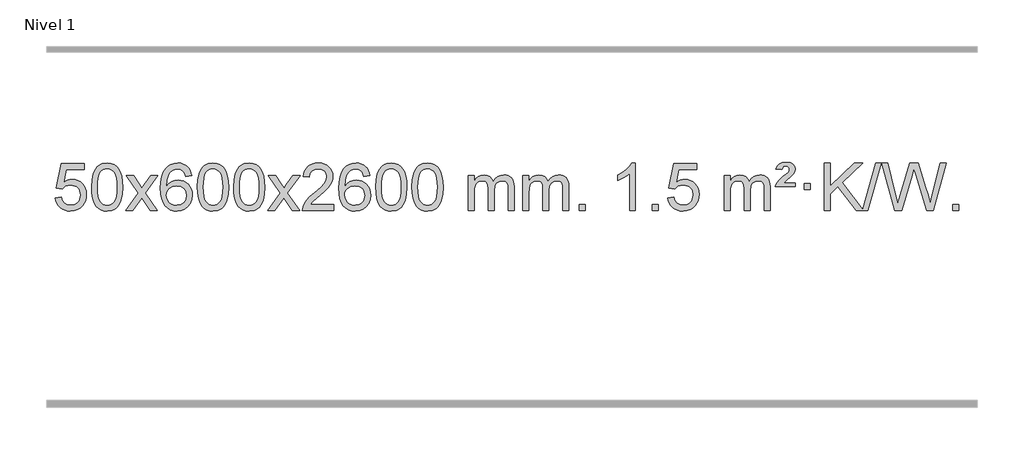
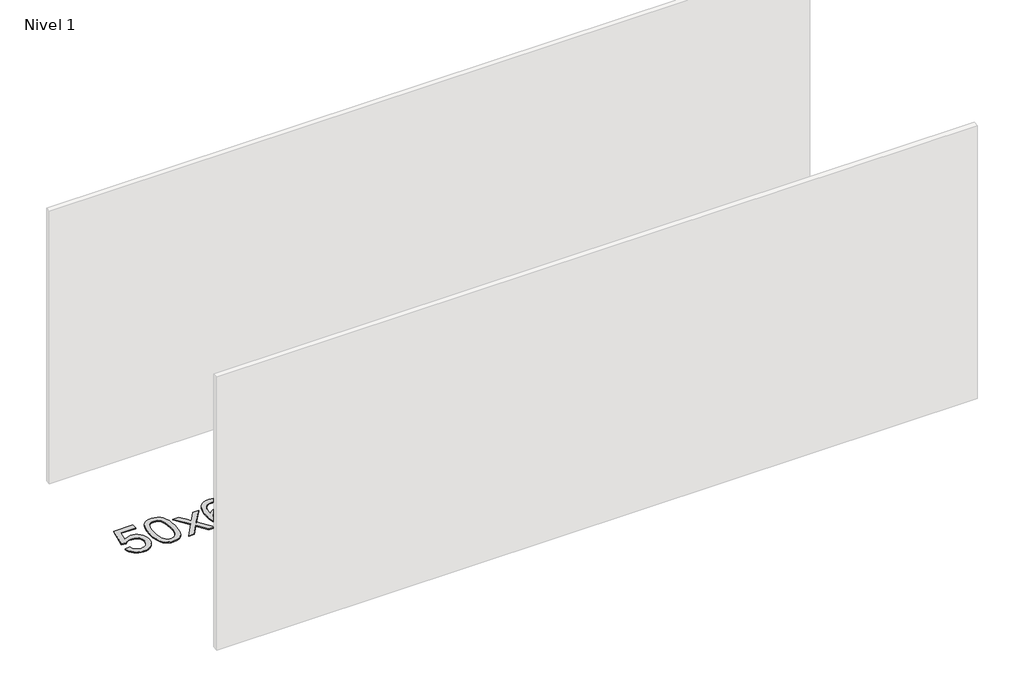
# One storey, part 10 of 12: 1 proxy.
"""IFC4 building model written with IfcOpenShell, lengths in millimetres."""

from ifc_helpers import new_model, si_unit, origin, origin_with_axes, place, context, project, spatial, polyline, outline, extrude, element, save

model = new_model("IFC4")

# Units and contexts
model_context = context("Model", 3, world=origin())
ifc_project = project(units=[si_unit("LENGTHUNIT", "METRE", prefix="MILLI")], contexts=[model_context])

# Site, building, storey
site = spatial("IfcSite", under=ifc_project)
building = spatial("IfcBuilding", under=site)
storey = spatial("IfcBuildingStorey", under=building, Name="Nivel 1", Elevation=0.0)

# Proxy
placement = place(None, origin())
element("IfcBuildingElementProxy", 1, Name="Texto de modelo 1", ObjectType="Texto de modelo 1", at=placement, inside=storey, context=model_context, shape_type="SweptSolid", body=[
    extrude(outline(polyline([(5243.8302895, -284.8446235), (5294.0584446, -278.5661041), (5303.28002, -308.7201649), (5319.3687259, -330.3148381), (5342.250986, -343.3010725), (5371.8532239, -347.6298173), (5390.9830876, -346.1245668), (5407.8566085, -341.6088153), (5422.4737864, -334.0825628), (5434.8346214, -323.5458094), (5444.6632021, -310.519721), (5451.6836168, -295.5254641), (5457.2999486, -259.6324441), (5452.0392361, -225.8363514), (5445.4633454, -211.9181493), (5436.2570985, -199.9865099), (5424.3898385, -190.4154467), (5409.8309085, -183.5789729), (5372.6380388, -178.1097939), (5348.271988, -180.2925604), (5328.5412503, -186.8408599), (5312.7836382, -196.8717757), (5300.336964, -209.5023908), (5250.1088089, -203.2238715), (5294.0584446, 3.9672682), (5488.6925455, 3.9672682), (5488.6925455, -46.2608869), (5334.6726169, -46.2608869), (5313.1883084, -156.919791), (5330.9140892, -144.2155994), (5349.0690656, -135.1411769), (5367.6532377, -129.6965234), (5386.6666055, -127.8816388), (5411.1276925, -130.1318504), (5433.5960854, -136.882485), (5454.0717841, -148.1335427), (5472.5547887, -163.8850234), (5487.855614, -183.1743027), (5498.7847749, -205.038756), (5505.3422715, -229.4783832), (5507.5281037, -256.4931844), (5505.559935, -282.5147042), (5499.655429, -306.7213394), (5489.8145856, -329.1130902), (5476.0374049, -349.6899565), (5455.166233, -370.7634634), (5430.812445, -385.8159684), (5402.9760407, -394.8474714), (5371.6570201, -397.8579724), (5345.7366679, -395.9235262), (5322.3240446, -390.1201877), (5301.4191502, -380.447957), (5283.0219848, -366.9068338), (5267.7150281, -350.1712688), (5256.08076, -330.915712), (5248.1191805, -309.1401636), (5243.8302895, -284.8446235)])), origin_with_axes(), (0.0, 0.0, 1.0), 10.0),
    extrude(outline(polyline([(5551.4777394, -193.9041943), (5555.1688221, -129.5861588), (5566.2420701, -78.2911459), (5584.5871189, -39.2343407), (5596.4451819, -24.0009605), (5610.0936039, -11.6309284), (5625.5783702, -2.0598651), (5642.9454661, 4.7766086), (5683.3266464, 10.2457876), (5714.277785, 7.008426), (5741.9915619, -2.7036586), (5765.1681276, -18.5103217), (5782.5076323, -40.0314184), (5795.6042314, -67.0830078), (5806.05208, -99.4811488), (5812.8946851, -140.6226186), (5815.1755535, -193.9041943), (5811.521259, -257.8543477), (5800.5583756, -309.0267333), (5782.3236913, -348.1203266), (5770.4932195, -363.3996922), (5756.8539945, -375.8341036), (5741.3508341, -385.4695462), (5723.928556, -392.3520052), (5683.3266464, -397.8579724), (5655.6619204, -395.4667394), (5631.1364541, -388.2930405), (5609.7502474, -376.3368757), (5591.5033004, -359.5982449), (5573.9921175, -329.3399508), (5561.4841296, -291.6381776), (5553.9793369, -246.4929255), (5551.4777394, -193.9041943)]), holes=[polyline([(5601.7058944, -193.8060924), (5603.1774224, -237.4706195), (5607.5920064, -272.8148822), (5614.9496463, -299.8388804), (5625.2503421, -318.5426142), (5637.709279, -331.2682656), (5651.5416421, -340.3580165), (5666.7474312, -345.8118671), (5683.3266464, -347.6298173), (5699.9058617, -345.8057357), (5715.1116508, -340.3334911), (5728.9440138, -331.2130833), (5741.4029507, -318.4445124), (5751.7036466, -299.7101217), (5759.0612865, -272.6922549), (5763.4758705, -237.3909118), (5764.9473984, -193.8060924), (5763.5249214, -151.2973278), (5759.2574902, -116.5753989), (5752.145105, -89.6403055), (5742.1877657, -70.4920476), (5729.9372952, -57.1440625), (5715.9455167, -47.6097875), (5700.21243, -41.8892225), (5682.7380352, -39.9823675), (5666.2446591, -41.6623619), (5651.2963874, -46.7023452), (5637.89322, -55.1023175), (5626.0351571, -66.8622786), (5615.3911047, -87.708925), (5607.7882101, -115.8151094), (5603.2264734, -151.1808319), (5601.7058944, -193.8060924)])]), origin_with_axes(), (0.0, 0.0, 1.0), 10.0),
    extrude(outline(polyline([(5840.2896311, -391.579453), (5947.6130718, -243.2494325), (5846.5681504, -96.4890419), (5906.9988995, -96.4890419), (5955.7555266, -167.122385), (5978.5151594, -200.4770192), (5998.2336343, -173.2047007), (6053.7592901, -96.4890419), (6114.1900392, -96.4890419), (6008.0438209, -243.2494325), (6110.2659646, -391.579453), (6049.8352155, -391.579453), (5988.3253459, -302.4048574), (5977.0436314, -286.1199477), (5900.7203801, -391.579453), (5840.2896311, -391.579453)])), origin_with_axes(), (0.0, 0.0, 1.0), 10.0),
    extrude(outline(polyline([(6399.0778563, -96.4890419), (6348.8497012, -102.7675613), (6340.7562973, -77.874213), (6329.8179393, -60.8780648), (6307.0337811, -45.2062918), (6279.4916824, -39.9823675), (6256.1434384, -43.0235253), (6234.1686206, -52.1469988), (6215.2962742, -71.3627017), (6199.8820186, -97.8134171), (6189.4709581, -135.227016), (6185.6081972, -187.3313693), (6205.7558678, -163.8237098), (6229.9011894, -147.2567573), (6256.6952614, -137.434308), (6284.7891831, -134.1601582), (6308.922242, -136.398107), (6331.1913654, -143.1119534), (6351.5965534, -154.3016975), (6370.137806, -169.9673391), (6385.5459302, -189.1769106), (6396.5517332, -210.9984443), (6403.155215, -235.4319401), (6405.3563756, -262.4773982), (6401.2115718, -298.4439945), (6388.7771604, -331.786366), (6369.0832109, -360.0642287), (6343.159793, -380.8372987), (6312.184129, -393.602804), (6277.3334413, -397.8579724), (6247.3909126, -395.0375437), (6220.3485203, -386.5762579), (6196.2062643, -372.4741147), (6174.9641448, -352.7311143), (6157.6460999, -326.5133908), (6145.2760678, -292.9870783), (6137.8540485, -252.1521768), (6135.3800421, -204.0086864), (6138.1268943, -150.0342663), (6146.367451, -103.9693092), (6160.1017122, -65.8138149), (6179.3296778, -35.5677835), (6200.1701928, -15.5243462), (6224.3339085, -1.2076052), (6251.820825, 7.3824394), (6282.6309421, 10.2457876), (6305.7645882, 8.4738227), (6326.7032051, 3.1579278), (6345.4467927, -5.7018969), (6361.9953511, -18.1056515), (6375.9012906, -33.6364031), (6386.7170212, -51.8772186), (6394.4425431, -72.8280983), (6399.0778563, -96.4890419)]), holes=[polyline([(6185.6081972, -261.6925832), (6188.514465, -283.9494439), (6197.2332682, -305.2007605), (6210.7713257, -323.472233), (6228.1353558, -336.7895612), (6249.0923668, -344.9197533), (6273.4093667, -347.6298173), (6306.5555345, -342.0134855), (6320.4706709, -334.9930708), (6332.6138425, -325.1644901), (6342.4638829, -312.9262824), (6349.499626, -298.6769865), (6355.1282206, -264.1451299), (6349.5732024, -230.9989621), (6342.6294298, -217.3781312), (6332.9081481, -205.725469), (6320.7281883, -196.3904634), (6306.4083817, -189.7226022), (6271.3492275, -184.3883133), (6238.2521107, -189.7226022), (6210.5751219, -205.725469), (6199.6520924, -217.2248471), (6191.8499284, -230.3858254), (6187.16863, -245.2084042), (6185.6081972, -261.6925832)])]), origin_with_axes(), (0.0, 0.0, 1.0), 10.0),
    extrude(outline(polyline([(6449.3060113, -193.9041943), (6452.997094, -129.5861588), (6464.0703421, -78.2911459), (6482.4153909, -39.2343407), (6494.2734539, -24.0009605), (6507.9218759, -11.6309284), (6523.4066422, -2.0598651), (6540.7737381, 4.7766086), (6581.1549184, 10.2457876), (6612.1060569, 7.008426), (6639.8198339, -2.7036586), (6662.9963996, -18.5103217), (6680.3359043, -40.0314184), (6693.4325033, -67.0830078), (6703.880352, -99.4811488), (6710.7229571, -140.6226186), (6713.0038255, -193.9041943), (6709.349531, -257.8543477), (6698.3866475, -309.0267333), (6680.1519633, -348.1203266), (6668.3214915, -363.3996922), (6654.6822665, -375.8341036), (6639.1791061, -385.4695462), (6621.7568279, -392.3520052), (6581.1549184, -397.8579724), (6553.4901924, -395.4667394), (6528.964726, -388.2930405), (6507.5785194, -376.3368757), (6489.3315724, -359.5982449), (6471.8203894, -329.3399508), (6459.3124016, -291.6381776), (6451.8076089, -246.4929255), (6449.3060113, -193.9041943)]), holes=[polyline([(6499.5341664, -193.8060924), (6501.0056944, -237.4706195), (6505.4202783, -272.8148822), (6512.7779182, -299.8388804), (6523.0786141, -318.5426142), (6535.537551, -331.2682656), (6549.369914, -340.3580165), (6564.5757032, -345.8118671), (6581.1549184, -347.6298173), (6597.7341337, -345.8057357), (6612.9399228, -340.3334911), (6626.7722858, -331.2130833), (6639.2312227, -318.4445124), (6649.5319186, -299.7101217), (6656.8895585, -272.6922549), (6661.3041424, -237.3909118), (6662.7756704, -193.8060924), (6661.3531934, -151.2973278), (6657.0857622, -116.5753989), (6649.973377, -89.6403055), (6640.0160376, -70.4920476), (6627.7655672, -57.1440625), (6613.7737886, -47.6097875), (6598.040702, -41.8892225), (6580.5663072, -39.9823675), (6564.0729311, -41.6623619), (6549.1246594, -46.7023452), (6535.721492, -55.1023175), (6523.863429, -66.8622786), (6513.2193766, -87.708925), (6505.6164821, -115.8151094), (6501.0547453, -151.1808319), (6499.5341664, -193.8060924)])]), origin_with_axes(), (0.0, 0.0, 1.0), 10.0),
    extrude(outline(polyline([(6756.9534612, -193.9041943), (6760.6445439, -129.5861588), (6771.7177919, -78.2911459), (6790.0628407, -39.2343407), (6801.9209037, -24.0009605), (6815.5693257, -11.6309284), (6831.054092, -2.0598651), (6848.4211879, 4.7766086), (6888.8023682, 10.2457876), (6919.7535068, 7.008426), (6947.4672837, -2.7036586), (6970.6438494, -18.5103217), (6987.9833541, -40.0314184), (7001.0799532, -67.0830078), (7011.5278018, -99.4811488), (7018.3704069, -140.6226186), (7020.6512753, -193.9041943), (7016.9969808, -257.8543477), (7006.0340974, -309.0267333), (6987.7994131, -348.1203266), (6975.9689413, -363.3996922), (6962.3297163, -375.8341036), (6946.8265559, -385.4695462), (6929.4042778, -392.3520052), (6888.8023682, -397.8579724), (6861.1376422, -395.4667394), (6836.6121759, -388.2930405), (6815.2259692, -376.3368757), (6796.9790222, -359.5982449), (6779.4678393, -329.3399508), (6766.9598514, -291.6381776), (6759.4550587, -246.4929255), (6756.9534612, -193.9041943)]), holes=[polyline([(6807.1816162, -193.8060924), (6808.6531442, -237.4706195), (6813.0677282, -272.8148822), (6820.4253681, -299.8388804), (6830.7260639, -318.5426142), (6843.1850008, -331.2682656), (6857.0173639, -340.3580165), (6872.223153, -345.8118671), (6888.8023682, -347.6298173), (6905.3815835, -345.8057357), (6920.5873726, -340.3334911), (6934.4197356, -331.2130833), (6946.8786725, -318.4445124), (6957.1793684, -299.7101217), (6964.5370083, -272.6922549), (6968.9515923, -237.3909118), (6970.4231202, -193.8060924), (6969.0006432, -151.2973278), (6964.733212, -116.5753989), (6957.6208268, -89.6403055), (6947.6634875, -70.4920476), (6935.413017, -57.1440625), (6921.4212385, -47.6097875), (6905.6881518, -41.8892225), (6888.213757, -39.9823675), (6871.7203809, -41.6623619), (6856.7721092, -46.7023452), (6843.3689418, -55.1023175), (6831.5108789, -66.8622786), (6820.8668265, -87.708925), (6813.2639319, -115.8151094), (6808.7021952, -151.1808319), (6807.1816162, -193.8060924)])]), origin_with_axes(), (0.0, 0.0, 1.0), 10.0),
    extrude(outline(polyline([(7045.7653528, -391.579453), (7153.0887936, -243.2494325), (7052.0438722, -96.4890419), (7112.4746213, -96.4890419), (7161.2312484, -167.122385), (7183.9908812, -200.4770192), (7203.7093561, -173.2047007), (7259.2350119, -96.4890419), (7319.665761, -96.4890419), (7213.5195426, -243.2494325), (7315.7416864, -391.579453), (7255.3109373, -391.579453), (7193.8010677, -302.4048574), (7182.5193532, -286.1199477), (7106.1961019, -391.579453), (7045.7653528, -391.579453)])), origin_with_axes(), (0.0, 0.0, 1.0), 10.0),
    extrude(outline(polyline([(7604.5535781, -341.3512979), (7604.5535781, -391.579453), (7340.8557639, -391.579453), (7341.9594099, -373.8965918), (7346.2513665, -356.9494945), (7358.636727, -329.8856424), (7376.7610466, -303.6311307), (7402.9787702, -276.1503456), (7439.6443423, -245.4076736), (7493.845623, -197.2641831), (7526.3663913, -161.7267824), (7542.6267755, -132.884834), (7548.0469036, -104.8277005), (7542.9333439, -79.6768347), (7527.5926647, -58.7688747), (7504.0114288, -44.6789943), (7474.176199, -39.9823675), (7442.8449157, -44.5686297), (7418.5033904, -58.3274163), (7402.7948292, -80.1796068), (7397.3624384, -109.0460807), (7347.1342833, -102.7675613), (7351.4538311, -76.838012), (7359.3111773, -54.1826125), (7370.7063221, -34.8013627), (7385.6392655, -18.6942627), (7403.7666508, -6.0329907), (7424.7451215, 3.010775), (7448.5746778, 8.4370345), (7475.2553195, 10.2457876), (7502.1750845, 8.2346994), (7526.1333994, 2.2014346), (7547.1302643, -7.8540066), (7565.1656791, -21.9316242), (7579.6510327, -38.9890861), (7589.9977138, -57.9840598), (7596.2057224, -78.9165453), (7598.2750587, -101.7865427), (7596.0432412, -125.8092369), (7589.3477889, -149.4149983), (7577.4652005, -173.4254299), (7559.6719746, -198.6621347), (7531.3082728, -228.7916701), (7487.7142564, -267.4805933), (7429.9322577, -315.795762), (7407.2707268, -341.3512979), (7604.5535781, -341.3512979)])), origin_with_axes(), (0.0, 0.0, 1.0), 10.0),
    extrude(outline(polyline([(7912.2010279, -96.4890419), (7861.9728728, -102.7675613), (7853.8794689, -77.874213), (7842.9411109, -60.8780648), (7820.1569527, -45.2062918), (7792.614854, -39.9823675), (7769.26661, -43.0235253), (7747.2917922, -52.1469988), (7728.4194458, -71.3627017), (7713.0051902, -97.8134171), (7702.5941298, -135.227016), (7698.7313688, -187.3313693), (7718.8790394, -163.8237098), (7743.024361, -147.2567573), (7769.818433, -137.434308), (7797.9123547, -134.1601582), (7822.0454136, -136.398107), (7844.314537, -143.1119534), (7864.719725, -154.3016975), (7883.2609776, -169.9673391), (7898.6691018, -189.1769106), (7909.6749049, -210.9984443), (7916.2783867, -235.4319401), (7918.4795473, -262.4773982), (7914.3347435, -298.4439945), (7901.900332, -331.786366), (7882.2063825, -360.0642287), (7856.2829646, -380.8372987), (7825.3073006, -393.602804), (7790.4566129, -397.8579724), (7760.5140842, -395.0375437), (7733.4716919, -386.5762579), (7709.329436, -372.4741147), (7688.0873164, -352.7311143), (7670.7692715, -326.5133908), (7658.3992394, -292.9870783), (7650.9772202, -252.1521768), (7648.5032137, -204.0086864), (7651.250066, -150.0342663), (7659.4906227, -103.9693092), (7673.2248838, -65.8138149), (7692.4528494, -35.5677835), (7713.2933645, -15.5243462), (7737.4570802, -1.2076052), (7764.9439966, 7.3824394), (7795.7541137, 10.2457876), (7818.8877598, 8.4738227), (7839.8263767, 3.1579278), (7858.5699644, -5.7018969), (7875.1185228, -18.1056515), (7889.0244622, -33.6364031), (7899.8401928, -51.8772186), (7907.5657147, -72.8280983), (7912.2010279, -96.4890419)]), holes=[polyline([(7698.7313688, -261.6925832), (7701.6376366, -283.9494439), (7710.3564399, -305.2007605), (7723.8944973, -323.472233), (7741.2585275, -336.7895612), (7762.2155385, -344.9197533), (7786.5325383, -347.6298173), (7819.6787061, -342.0134855), (7833.5938426, -334.9930708), (7845.7370141, -325.1644901), (7855.5870545, -312.9262824), (7862.6227977, -298.6769865), (7868.2513922, -264.1451299), (7862.6963741, -230.9989621), (7855.7526014, -217.3781312), (7846.0313197, -205.725469), (7833.85136, -196.3904634), (7819.5315533, -189.7226022), (7784.4723992, -184.3883133), (7751.3752823, -189.7226022), (7723.6982936, -205.725469), (7712.775264, -217.2248471), (7704.9731, -230.3858254), (7700.2918016, -245.2084042), (7698.7313688, -261.6925832)])]), origin_with_axes(), (0.0, 0.0, 1.0), 10.0),
    extrude(outline(polyline([(7962.429183, -193.9041943), (7966.1202656, -129.5861588), (7977.1935137, -78.2911459), (7995.5385625, -39.2343407), (8007.3966255, -24.0009605), (8021.0450475, -11.6309284), (8036.5298138, -2.0598651), (8053.8969097, 4.7766086), (8094.27809, 10.2457876), (8125.2292286, 7.008426), (8152.9430055, -2.7036586), (8176.1195712, -18.5103217), (8193.4590759, -40.0314184), (8206.555675, -67.0830078), (8217.0035236, -99.4811488), (8223.8461287, -140.6226186), (8226.1269971, -193.9041943), (8222.4727026, -257.8543477), (8211.5098192, -309.0267333), (8193.2751349, -348.1203266), (8181.4446631, -363.3996922), (8167.8054381, -375.8341036), (8152.3022777, -385.4695462), (8134.8799996, -392.3520052), (8094.27809, -397.8579724), (8066.613364, -395.4667394), (8042.0878976, -388.2930405), (8020.701691, -376.3368757), (8002.454744, -359.5982449), (7984.9435611, -329.3399508), (7972.4355732, -291.6381776), (7964.9307805, -246.4929255), (7962.429183, -193.9041943)]), holes=[polyline([(8012.657338, -193.8060924), (8014.128866, -237.4706195), (8018.54345, -272.8148822), (8025.9010899, -299.8388804), (8036.2017857, -318.5426142), (8048.6607226, -331.2682656), (8062.4930856, -340.3580165), (8077.6988748, -345.8118671), (8094.27809, -347.6298173), (8110.8573053, -345.8057357), (8126.0630944, -340.3334911), (8139.8954574, -331.2130833), (8152.3543943, -318.4445124), (8162.6550902, -299.7101217), (8170.0127301, -272.6922549), (8174.427314, -237.3909118), (8175.898842, -193.8060924), (8174.476365, -151.2973278), (8170.2089338, -116.5753989), (8163.0965486, -89.6403055), (8153.1392093, -70.4920476), (8140.8887388, -57.1440625), (8126.8969603, -47.6097875), (8111.1638736, -41.8892225), (8093.6894788, -39.9823675), (8077.1961027, -41.6623619), (8062.247831, -46.7023452), (8048.8446636, -55.1023175), (8036.9866007, -66.8622786), (8026.3425483, -87.708925), (8018.7396537, -115.8151094), (8014.1779169, -151.1808319), (8012.657338, -193.8060924)])]), origin_with_axes(), (0.0, 0.0, 1.0), 10.0),
    extrude(outline(polyline([(8270.0766328, -193.9041943), (8273.7677155, -129.5861588), (8284.8409635, -78.2911459), (8303.1860124, -39.2343407), (8315.0440753, -24.0009605), (8328.6924974, -11.6309284), (8344.1772637, -2.0598651), (8361.5443595, 4.7766086), (8401.9255399, 10.2457876), (8432.8766784, 7.008426), (8460.5904554, -2.7036586), (8483.7670211, -18.5103217), (8501.1065258, -40.0314184), (8514.2031248, -67.0830078), (8524.6509735, -99.4811488), (8531.4935786, -140.6226186), (8533.7744469, -193.9041943), (8530.1201525, -257.8543477), (8519.157269, -309.0267333), (8500.9225848, -348.1203266), (8489.0921129, -363.3996922), (8475.452888, -375.8341036), (8459.9497276, -385.4695462), (8442.5274494, -392.3520052), (8401.9255399, -397.8579724), (8374.2608138, -395.4667394), (8349.7353475, -388.2930405), (8328.3491408, -376.3368757), (8310.1021939, -359.5982449), (8292.5910109, -329.3399508), (8280.0830231, -291.6381776), (8272.5782304, -246.4929255), (8270.0766328, -193.9041943)]), holes=[polyline([(8320.3047879, -193.8060924), (8321.7763158, -237.4706195), (8326.1908998, -272.8148822), (8333.5485397, -299.8388804), (8343.8492356, -318.5426142), (8356.3081725, -331.2682656), (8370.1405355, -340.3580165), (8385.3463246, -345.8118671), (8401.9255399, -347.6298173), (8418.5047551, -345.8057357), (8433.7105442, -340.3334911), (8447.5429073, -331.2130833), (8460.0018442, -318.4445124), (8470.30254, -299.7101217), (8477.6601799, -272.6922549), (8482.0747639, -237.3909118), (8483.5462919, -193.8060924), (8482.1238148, -151.2973278), (8477.8563837, -116.5753989), (8470.7439984, -89.6403055), (8460.7866591, -70.4920476), (8448.5361887, -57.1440625), (8434.5444101, -47.6097875), (8418.8113234, -41.8892225), (8401.3369287, -39.9823675), (8384.8435526, -41.6623619), (8369.8952808, -46.7023452), (8356.4921135, -55.1023175), (8344.6340505, -66.8622786), (8333.9899981, -87.708925), (8326.3871035, -115.8151094), (8321.8253668, -151.1808319), (8320.3047879, -193.8060924)])]), origin_with_axes(), (0.0, 0.0, 1.0), 10.0),
    extrude(outline(polyline([(8747.244106, -391.579453), (8747.244106, -96.4890419), (8797.4722611, -96.4890419), (8797.4722611, -145.0494653), (8812.5799483, -122.7435537), (8832.0041177, -105.2691589), (8855.0825815, -93.9751816), (8881.1531522, -90.2105225), (8909.0876584, -94.048758), (8931.4794092, -105.5634645), (8948.2057772, -123.9943524), (8959.1441352, -148.5811324), (8977.4523959, -123.0439906), (8998.3358304, -104.803175), (9021.794439, -93.8586857), (9047.8282215, -90.2105225), (9067.9360383, -91.7280358), (9085.585177, -96.2805755), (9100.7756377, -103.8681416), (9113.5074204, -114.4907342), (9123.5720587, -128.2709806), (9130.761086, -145.3315082), (9135.0745024, -165.6723168), (9136.5123078, -189.2934066), (9136.5123078, -391.579453), (9086.2841528, -391.579453), (9086.2841528, -210.875817), (9085.1191931, -185.8230531), (9081.6243142, -168.9372695), (9075.0760146, -157.3735121), (9064.7507933, -148.2868268), (9051.4702533, -142.4007149), (9036.0559977, -140.4386776), (9008.8449928, -145.4663982), (8986.6617085, -160.54956), (8978.0563355, -172.1194488), (8971.9096405, -186.7182326), (8966.9922845, -225.0024856), (8966.9922845, -391.579453), (8916.7641294, -391.579453), (8916.7641294, -205.2840106), (8913.8578616, -176.8835206), (8905.1390583, -156.6254854), (8889.7983791, -144.4853796), (8867.0264836, -140.4386776), (8847.6758907, -143.1364789), (8829.8458767, -151.2298828), (8815.1305968, -164.5226856), (8805.1242066, -182.8186835), (8799.3852475, -208.2025411), (8797.4722611, -242.7589232), (8797.4722611, -391.579453), (8747.244106, -391.579453)])), origin_with_axes(), (0.0, 0.0, 1.0), 10.0),
    extrude(outline(polyline([(9211.8545404, -391.579453), (9211.8545404, -96.4890419), (9262.0826955, -96.4890419), (9262.0826955, -145.0494653), (9277.1903828, -122.7435537), (9296.6145521, -105.2691589), (9319.693016, -93.9751816), (9345.7635867, -90.2105225), (9373.6980929, -94.048758), (9396.0898436, -105.5634645), (9412.8162117, -123.9943524), (9423.7545697, -148.5811324), (9442.0628303, -123.0439906), (9462.9462649, -104.803175), (9486.4048734, -93.8586857), (9512.438656, -90.2105225), (9532.5464727, -91.7280358), (9550.1956114, -96.2805755), (9565.3860721, -103.8681416), (9578.1178548, -114.4907342), (9588.1824931, -128.2709806), (9595.3715204, -145.3315082), (9599.6849368, -165.6723168), (9601.1227423, -189.2934066), (9601.1227423, -391.579453), (9550.8945872, -391.579453), (9550.8945872, -210.875817), (9549.7296276, -185.8230531), (9546.2347486, -168.9372695), (9539.6864491, -157.3735121), (9529.3612278, -148.2868268), (9516.0806877, -142.4007149), (9500.6664321, -140.4386776), (9473.4554272, -145.4663982), (9451.2721429, -160.54956), (9442.6667699, -172.1194488), (9436.5200749, -186.7182326), (9431.6027189, -225.0024856), (9431.6027189, -391.579453), (9381.3745638, -391.579453), (9381.3745638, -205.2840106), (9378.4682961, -176.8835206), (9369.7494928, -156.6254854), (9354.4088136, -144.4853796), (9331.6369181, -140.4386776), (9312.2863251, -143.1364789), (9294.4563111, -151.2298828), (9279.7410313, -164.5226856), (9269.734641, -182.8186835), (9263.9956819, -208.2025411), (9262.0826955, -242.7589232), (9262.0826955, -391.579453), (9211.8545404, -391.579453)])), origin_with_axes(), (0.0, 0.0, 1.0), 10.0),
    extrude(outline(polyline([(9689.0220137, -391.579453), (9689.0220137, -341.3512979), (9739.2501687, -341.3512979), (9739.2501687, -391.579453), (9689.0220137, -391.579453)])), origin_with_axes(), (0.0, 0.0, 1.0), 10.0),
    extrude(outline(polyline([(10166.1894869, -391.579453), (10115.9613318, -391.579453), (10115.9613318, -78.4382987), (10094.9920581, -95.3976587), (10068.3819271, -112.3324932), (10015.5050216, -137.6918254), (10015.5050216, -90.2105225), (10054.9542343, -68.7507395), (10089.1304716, -43.219729), (10116.0716964, -16.0700378), (10133.8158713, 10.2457876), (10166.1894869, 10.2457876), (10166.1894869, -391.579453)])), origin_with_axes(), (0.0, 0.0, 1.0), 10.0),
    extrude(outline(polyline([(10310.5954327, -391.579453), (10310.5954327, -341.3512979), (10360.8235878, -341.3512979), (10360.8235878, -391.579453), (10310.5954327, -391.579453)])), origin_with_axes(), (0.0, 0.0, 1.0), 10.0),
    extrude(outline(polyline([(10442.4443398, -284.8446235), (10492.6724949, -278.5661041), (10501.8940702, -308.7201649), (10517.9827761, -330.3148381), (10540.8650362, -343.3010725), (10570.4672741, -347.6298173), (10589.5971379, -346.1245668), (10606.4706587, -341.6088153), (10621.0878366, -334.0825628), (10633.4486717, -323.5458094), (10643.2772523, -310.519721), (10650.2976671, -295.5254641), (10655.9139988, -259.6324441), (10650.6532863, -225.8363514), (10644.0773957, -211.9181493), (10634.8711487, -199.9865099), (10623.0038887, -190.4154467), (10608.4449587, -183.5789729), (10571.252089, -178.1097939), (10546.8860382, -180.2925604), (10527.1553005, -186.8408599), (10511.3976884, -196.8717757), (10498.9510142, -209.5023908), (10448.7228592, -203.2238715), (10492.6724949, 3.9672682), (10687.3065958, 3.9672682), (10687.3065958, -46.2608869), (10533.2866671, -46.2608869), (10511.8023586, -156.919791), (10529.5281394, -144.2155994), (10547.6831159, -135.1411769), (10566.267288, -129.6965234), (10585.2806558, -127.8816388), (10609.7417428, -130.1318504), (10632.2101356, -136.882485), (10652.6858343, -148.1335427), (10671.1688389, -163.8850234), (10686.4696642, -183.1743027), (10697.3988252, -205.038756), (10703.9563217, -229.4783832), (10706.1421539, -256.4931844), (10704.1739852, -282.5147042), (10698.2694792, -306.7213394), (10688.4286359, -329.1130902), (10674.6514551, -349.6899565), (10653.7802833, -370.7634634), (10629.4264952, -385.8159684), (10601.5900909, -394.8474714), (10570.2710704, -397.8579724), (10544.3507181, -395.9235262), (10520.9380948, -390.1201877), (10500.0332004, -380.447957), (10481.636035, -366.9068338), (10466.3290783, -350.1712688), (10454.6948102, -330.915712), (10446.7332307, -309.1401636), (10442.4443398, -284.8446235)])), origin_with_axes(), (0.0, 0.0, 1.0), 10.0),
    extrude(outline(polyline([(10919.611813, -391.579453), (10919.611813, -96.4890419), (10969.8399681, -96.4890419), (10969.8399681, -145.0494653), (10984.9476553, -122.7435537), (11004.3718247, -105.2691589), (11027.4502885, -93.9751816), (11053.5208592, -90.2105225), (11081.4553654, -94.048758), (11103.8471162, -105.5634645), (11120.5734842, -123.9943524), (11131.5118422, -148.5811324), (11149.8201028, -123.0439906), (11170.7035374, -104.803175), (11194.162146, -93.8586857), (11220.1959285, -90.2105225), (11240.3037452, -91.7280358), (11257.952884, -96.2805755), (11273.1433447, -103.8681416), (11285.8751274, -114.4907342), (11295.9397656, -128.2709806), (11303.128793, -145.3315082), (11307.4422094, -165.6723168), (11308.8800148, -189.2934066), (11308.8800148, -391.579453), (11258.6518597, -391.579453), (11258.6518597, -210.875817), (11257.4869001, -185.8230531), (11253.9920211, -168.9372695), (11247.4437216, -157.3735121), (11237.1185003, -148.2868268), (11223.8379603, -142.4007149), (11208.4237047, -140.4386776), (11181.2126998, -145.4663982), (11159.0294155, -160.54956), (11150.4240424, -172.1194488), (11144.2773474, -186.7182326), (11139.3599914, -225.0024856), (11139.3599914, -391.579453), (11089.1318364, -391.579453), (11089.1318364, -205.2840106), (11086.2255686, -176.8835206), (11077.5067653, -156.6254854), (11062.1660861, -144.4853796), (11039.3941906, -140.4386776), (11020.0435977, -143.1364789), (11002.2135836, -151.2298828), (10987.4983038, -164.5226856), (10977.4919136, -182.8186835), (10971.7529544, -208.2025411), (10969.8399681, -242.7589232), (10969.8399681, -391.579453), (10919.611813, -391.579453)])), origin_with_axes(), (0.0, 0.0, 1.0), 10.0),
    extrude(outline(polyline([(11352.8296505, -190.6668327), (11356.6556233, -174.8479069), (11364.9942818, -158.9799302), (11386.5031158, -133.8413272), (11418.4597984, -106.1030247), (11462.6056379, -68.726214), (11469.7425486, -57.1992448), (11472.1215188, -45.3779701), (11470.2330579, -33.2869152), (11464.5676752, -23.5012541), (11455.198947, -17.026531), (11442.2004499, -14.8682899), (11429.7660384, -16.4869707), (11420.9123451, -21.343013), (11414.4866729, -30.8098431), (11409.336325, -46.2608869), (11359.1081699, -39.9823675), (11369.948426, -14.7701881), (11386.5766922, 2.7900458), (11410.3418691, 13.0907417), (11442.5928573, 16.524307), (11478.3755127, 12.3917659), (11503.1217083, -0.0058573), (11517.5426825, -18.3386434), (11522.3496739, -40.2766731), (11518.253921, -63.1834586), (11505.9666624, -84.8149199), (11485.438847, -104.6314968), (11448.9694786, -132.6886303), (11423.3648917, -159.2742358), (11522.3496739, -159.2742358), (11522.3496739, -190.6668327), (11352.8296505, -190.6668327)])), origin_with_axes(), (0.0, 0.0, 1.0), 10.0),
    extrude(outline(polyline([(11597.6919065, -215.7809102), (11597.6919065, -165.5527552), (11647.9200616, -165.5527552), (11647.9200616, -215.7809102), (11597.6919065, -215.7809102)])), origin_with_axes(), (0.0, 0.0, 1.0), 10.0),
    extrude(outline(polyline([(12038.5616895, -391.579453), (11885.1303721, -188.9009991), (11817.440085, -253.4520265), (11817.440085, -391.579453), (11767.2119299, -391.579453), (11767.2119299, 10.2457876), (11817.440085, 10.2457876), (11817.440085, -186.4484525), (12023.4540023, 10.2457876), (12093.6949379, 10.2457876), (11920.7413492, -154.9577537), (12095.3949591, -385.5349332), (12206.7082868, 10.2457876), (12252.0313486, 10.2457876), (12139.0179997, -391.579453), (12099.9734572, -391.579453), (12093.6949379, -391.579453), (12038.5616895, -391.579453)])), origin_with_axes(), (0.0, 0.0, 1.0), 10.0),
    extrude(outline(polyline([(12366.5162255, -391.579453), (12256.9364419, 10.2457876), (12308.7342268, 10.2457876), (12372.3042355, -253.844434), (12391.9246086, -335.3670841), (12412.9184078, -263.2622131), (12492.5771225, 10.2457876), (12567.2326421, 10.2457876), (12625.1127426, -188.0180823), (12649.9079891, -261.5944814), (12668.1794615, -335.3670841), (12687.2112234, -256.1988788), (12751.3698434, 10.2457876), (12803.1676283, 10.2457876), (12693.4897428, -391.579453), (12639.8280224, -391.579453), (12543.4919906, -81.5775584), (12530.0520351, -38.3146358), (12514.9443478, -90.4067263), (12427.1431783, -391.579453), (12366.5162255, -391.579453)])), origin_with_axes(), (0.0, 0.0, 1.0), 10.0),
    extrude(outline(polyline([(12859.6743028, -391.579453), (12859.6743028, -341.3512979), (12909.9024578, -341.3512979), (12909.9024578, -391.579453), (12859.6743028, -391.579453)])), origin_with_axes(), (0.0, 0.0, 1.0), 10.0),
])

save(model, "model.ifc")
